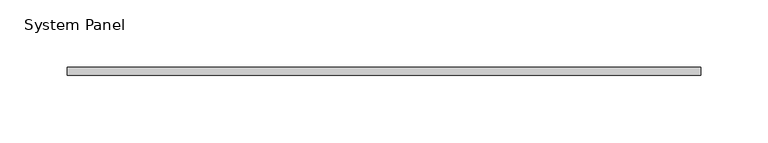
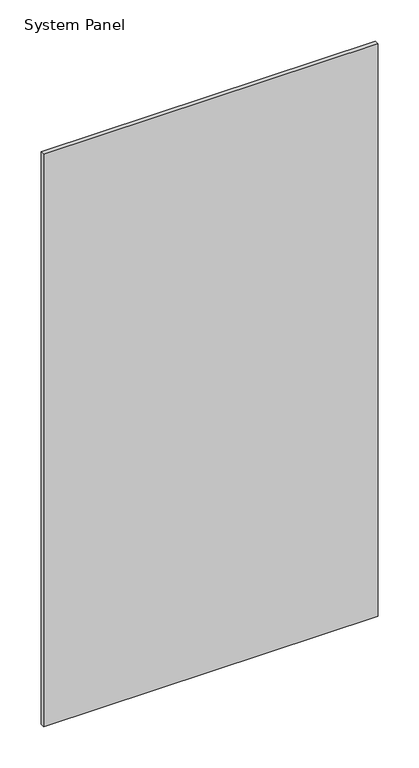
"""IFC4 building model written with IfcOpenShell, lengths in millimetres: plate geometry, System Panel."""

from ifc_helpers import new_model, si_unit, origin, origin_with_axes, place, context, project, spatial, polyline, outline, extrude, source, transform, mapped, element, save


def system_panel_89b4e6b3(model_context):
    return source(origin(), model_context, "Body", "SweptSolid", [
        extrude(outline(polyline([(235.0619866, -3.0), (-235.0619866, -3.0), (-235.0619866, 3.0), (235.0619866, 3.0), (235.0619866, -3.0)])), origin_with_axes(), (0.0, 0.0, 1.0), 850.0),
    ])


if __name__ == "__main__":
    model = new_model("IFC4")
    model_context = context("Model", 3, world=origin())
    ifc_project = project(units=[si_unit("LENGTHUNIT", "METRE", prefix="MILLI")], contexts=[model_context])
    site = spatial("IfcSite", under=ifc_project)
    building = spatial("IfcBuilding", under=site)
    placement = place(None, origin())
    system_panel_shape = system_panel_89b4e6b3(model_context)
    element("IfcPlate", 1, ObjectType="System Panel", at=placement, inside=building, context=model_context, shape_type="MappedRepresentation", body=[
        mapped(system_panel_shape, transform((0.0, 0.0, 0.0), x_axis=(1.0, 0.0, 0.0), y_axis=(0.0, 1.0, 0.0), z_axis=(0.0, 0.0, 1.0))),
    ])
    save(model, "model.ifc")
